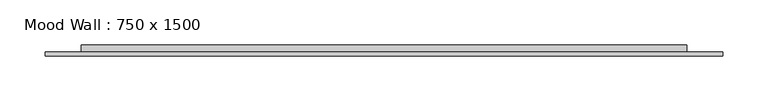
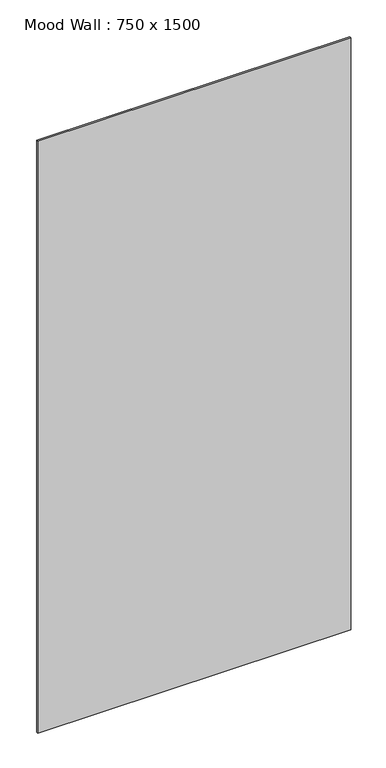
"""IFC4 building model written with IfcOpenShell, lengths in millimetres: furniture geometry, Mood Wall : 750 x 1500."""

from ifc_helpers import new_model, si_unit, frame, origin, origin_with_axes, place, context, project, spatial, polyline, outline, extrude, source, transform, mapped, element, save


def mood_wall_750_x_1500_0e82f3e6(model_context):
    return source(origin(), model_context, "Body", "SweptSolid", [
        extrude(outline(polyline([(374.9972656, -8.0), (374.9972656, -12.0), (-374.9972656, -12.0), (-374.9972656, -8.0), (374.9972656, -8.0)])), origin_with_axes(), (0.0, 0.0, 1.0), 1499.9890625),
        extrude(outline(polyline([(334.9972656, 0.0), (334.9972656, -8.0), (-334.9972656, -8.0), (-334.9972656, 0.0), (334.9972656, 0.0)])), frame((0.0, 0.0, 40.0), z_axis=(0.0, 0.0, 1.0), x_axis=(1.0, 0.0, 0.0)), (0.0, 0.0, 1.0), 1419.9890625),
    ])


if __name__ == "__main__":
    model = new_model("IFC4")
    model_context = context("Model", 3, world=origin())
    ifc_project = project(units=[si_unit("LENGTHUNIT", "METRE", prefix="MILLI")], contexts=[model_context])
    site = spatial("IfcSite", under=ifc_project)
    building = spatial("IfcBuilding", under=site)
    placement = place(None, origin())
    mood_wall_750_x_1500_shape = mood_wall_750_x_1500_0e82f3e6(model_context)
    element("IfcFurniture", 1, ObjectType="Mood Wall : 750 x 1500", at=placement, inside=building, context=model_context, shape_type="MappedRepresentation", body=[
        mapped(mood_wall_750_x_1500_shape, transform((0.0, 0.0, 0.0), x_axis=(1.0, 0.0, 0.0), y_axis=(0.0, 1.0, 0.0), z_axis=(0.0, 0.0, 1.0))),
    ])
    save(model, "model.ifc")
